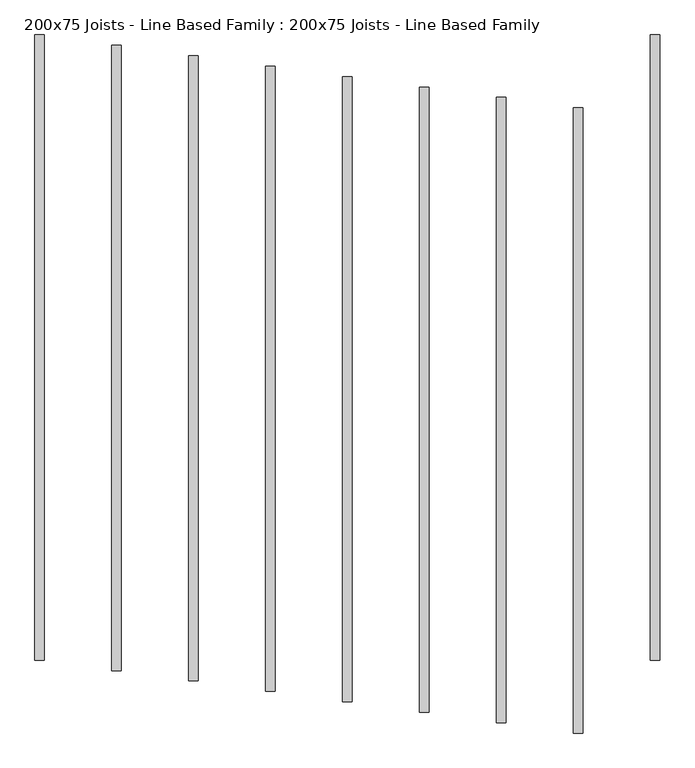
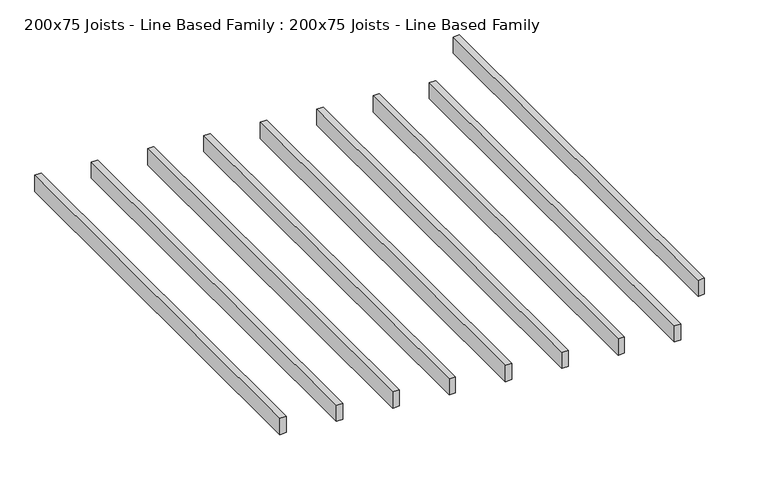
"""IFC4 building model written with IfcOpenShell, lengths in millimetres: proxy geometry, 200x75 Joists - Line Based Family : 200x75 Joists - Line Based Family."""

import ifcopenshell
import ifcopenshell.guid

model = None  # the IFC model being written
_history = None  # IfcOwnerHistory: only IFC2X3 demands one
_inside = {}  # id of a spatial element -> (the spatial element, [elements in it])
_under = {}  # id of a project, library or spatial element -> (it, [spatial elements below it])
_declared = {}  # id of a project -> (the project, [libraries it declares])
_typed = {}  # id of a type object -> (the type object, [elements of that type])
_made_of = {}  # id of a material, layer set ... -> (it, [elements and type objects made of it])


def new_model(schema):
    """Start an empty IFC model of exactly this schema.

    Asked for "IFC4X3", IfcOpenShell would pick the latest addendum, in which some entities
    have other attributes; the version numbers below select the first issue.
    IFC2X3 requires an IfcOwnerHistory on every rooted entity: one is made here for all.
    """
    global model, _history
    if schema == "IFC4X3":
        model = ifcopenshell.file(schema_version=(4, 3, 0, 0))
    else:
        model = ifcopenshell.file(schema=schema)
    _inside.clear()
    _under.clear()
    _declared.clear()
    _typed.clear()
    _made_of.clear()
    _history = None
    if model.schema == "IFC2X3":
        org = make("IfcOrganization", Name="unknown")
        user = make(
            "IfcPersonAndOrganization",
            ThePerson=make("IfcPerson", FamilyName="unknown"),
            TheOrganization=org,
        )
        app = make(
            "IfcApplication",
            ApplicationDeveloper=org,
            Version="unknown",
            ApplicationFullName="unknown",
            ApplicationIdentifier="unknown",
        )
        _history = make(
            "IfcOwnerHistory",
            OwningUser=user,
            OwningApplication=app,
            ChangeAction="ADDED",
            CreationDate=0,
        )
    return model


def make(cls, **values):
    """One entity of the class cls with the attributes given. An attribute that is None is left unset."""
    return model.create_entity(
        cls, **{name: value for name, value in values.items() if value is not None}
    )


def rooted(cls, **values):
    """An entity with a GlobalId (a new one), such as an element, a storey or a relation."""
    return make(cls, GlobalId=ifcopenshell.guid.new(), OwnerHistory=_history, **values)


def si_unit(unit_type, name, prefix=None):
    """IfcSIUnit, for example si_unit("LENGTHUNIT", "METRE", prefix="MILLI")."""
    return make("IfcSIUnit", UnitType=unit_type, Prefix=prefix, Name=name)


def assignment(units):
    """IfcUnitAssignment: the units of a project."""
    return None if units is None else make("IfcUnitAssignment", Units=units)


def point(xyz):
    """IfcCartesianPoint."""
    return None if xyz is None else make("IfcCartesianPoint", Coordinates=xyz)


def direction(xyz):
    """IfcDirection."""
    return None if xyz is None else make("IfcDirection", DirectionRatios=xyz)


def frame(location, z_axis=None, x_axis=None):
    """IfcAxis2Placement3D, a coordinate frame: its origin and axes. An axis left out is left unset."""
    return make(
        "IfcAxis2Placement3D",
        Location=point(location),
        Axis=direction(z_axis),
        RefDirection=direction(x_axis),
    )


def origin():
    """The frame at (0, 0, 0) with its axes left unset."""
    return frame((0.0, 0.0, 0.0))


def origin_with_axes():
    """The frame at (0, 0, 0) with the z axis (0, 0, 1) and the x axis (1, 0, 0) written out."""
    return frame((0.0, 0.0, 0.0), z_axis=(0.0, 0.0, 1.0), x_axis=(1.0, 0.0, 0.0))


def place(relative_to, where):
    """IfcLocalPlacement: puts the frame where relative to a parent placement (None: the world)."""
    return make(
        "IfcLocalPlacement", PlacementRelTo=relative_to, RelativePlacement=where
    )


def context(
    kind, dimensions, precision=None, world=None, true_north=None, identifier=None
):
    """IfcGeometricRepresentationContext, for example the 3D "Model" context."""
    return make(
        "IfcGeometricRepresentationContext",
        ContextIdentifier=identifier,
        ContextType=kind,
        CoordinateSpaceDimension=dimensions,
        Precision=precision,
        WorldCoordinateSystem=world,
        TrueNorth=true_north,
    )


def project(units=None, contexts=None):
    """IfcProject with its units and contexts."""
    return rooted(
        "IfcProject",
        Name="project",
        RepresentationContexts=contexts,
        UnitsInContext=assignment(units),
    )


def spatial(cls, under=None, at=None, **own):
    """A site, building, storey or space (cls), placed at a placement, below another one or the project."""
    s = rooted(cls, ObjectPlacement=at, **own)
    if under is not None:
        _under.setdefault(under.id(), (under, []))[1].append(s)
    return s


def polyline(points):
    """IfcPolyline through the points."""
    return make("IfcPolyline", Points=[point(p) for p in points])


def outline(outer, holes=None, kind="AREA"):
    """IfcArbitraryClosedProfileDef: a profile drawn as a closed curve; with holes, ...WithVoids."""
    if holes is None:
        return make("IfcArbitraryClosedProfileDef", ProfileType=kind, OuterCurve=outer)
    return make(
        "IfcArbitraryProfileDefWithVoids",
        ProfileType=kind,
        OuterCurve=outer,
        InnerCurves=holes,
    )


def extrude(swept, where, along, depth):
    """IfcExtrudedAreaSolid: the profile swept, set in the frame where, extruded along a direction by depth."""
    return make(
        "IfcExtrudedAreaSolid",
        SweptArea=swept,
        Position=where,
        ExtrudedDirection=direction(along),
        Depth=depth,
    )


def shape(context_of_items, identifier, shape_type, items):
    """IfcShapeRepresentation: the items that make up one representation, for example the "Body"."""
    return make(
        "IfcShapeRepresentation",
        ContextOfItems=context_of_items,
        RepresentationIdentifier=identifier,
        RepresentationType=shape_type,
        Items=items,
    )


def source(mapping_origin, context_of_items, identifier, shape_type, items):
    """IfcRepresentationMap: a shape defined once, which mapped items show again and again."""
    return make(
        "IfcRepresentationMap",
        MappingOrigin=mapping_origin,
        MappedRepresentation=shape(context_of_items, identifier, shape_type, items),
    )


def transform(
    local_origin,
    x_axis=None,
    y_axis=None,
    z_axis=None,
    scale=None,
    scale2=None,
    scale3=None,
    uniform=True,
):
    """IfcCartesianTransformationOperator3D, or its non-uniform kind. x_axis, y_axis, z_axis: its Axis1, 2, 3."""
    if uniform:
        return make(
            "IfcCartesianTransformationOperator3D",
            Axis1=direction(x_axis),
            Axis2=direction(y_axis),
            LocalOrigin=point(local_origin),
            Scale=scale,
            Axis3=direction(z_axis),
        )
    return make(
        "IfcCartesianTransformationOperator3DnonUniform",
        Axis1=direction(x_axis),
        Axis2=direction(y_axis),
        LocalOrigin=point(local_origin),
        Scale=scale,
        Axis3=direction(z_axis),
        Scale2=scale2,
        Scale3=scale3,
    )


def mapped(mapping_source, mapping_target):
    """IfcMappedItem: shows the shape of a source again, moved by a transform."""
    return make(
        "IfcMappedItem", MappingSource=mapping_source, MappingTarget=mapping_target
    )


def made_of(thing, what):
    """Note that an element or type object is made of a material, layer set ...; save() writes the relation."""
    if what is not None:
        _made_of.setdefault(what.id(), (what, []))[1].append(thing)
    return thing


def element(
    cls,
    number,
    at=None,
    inside=None,
    cuts=None,
    type_object=None,
    material=None,
    context=None,
    identifier="Body",
    shape_type=None,
    held_by="IfcProductDefinitionShape",
    body=None,
    shapes=None,
    **own,
):
    """One element of the class cls, such as IfcWall. Its Tag is "e" and its number.

    at: its placement. inside: the storey or other place that contains it. cuts: it is an
    opening in that element (IfcRelVoidsElement). A single representation is given by context,
    identifier, shape_type and body (its items); several are given by shapes. held_by: the class
    of the entity that holds the representations. save() writes the other relations.
    """
    e = rooted(cls, Tag="e%d" % number, ObjectPlacement=at, **own)
    if body is not None:
        shapes = [shape(context, identifier, shape_type, body)]
    if shapes is not None:
        e.Representation = make(held_by, Representations=shapes)
    if inside is not None:
        _inside.setdefault(inside.id(), (inside, []))[1].append(e)
    if cuts is not None:
        rooted(
            "IfcRelVoidsElement", RelatingBuildingElement=cuts, RelatedOpeningElement=e
        )
    if type_object is not None:
        _typed.setdefault(type_object.id(), (type_object, []))[1].append(e)
    return made_of(e, material)


def aggregate(whole, parts):
    """IfcRelAggregates: a whole, such as a stair, and the parts it consists of."""
    return rooted("IfcRelAggregates", RelatingObject=whole, RelatedObjects=parts)


def save(model, path):
    """Write the relations noted so far, then the file.

    IfcRelAggregates (storeys below a building ...), IfcRelContainedInSpatialStructure (elements
    in a storey), IfcRelDefinesByType, IfcRelAssociatesMaterial and IfcRelDeclares: one each for
    every whole, place, type object, material and project.
    """
    for whole, parts in _under.values():
        aggregate(whole, parts)
    for where, things in _inside.values():
        rooted(
            "IfcRelContainedInSpatialStructure",
            RelatedElements=things,
            RelatingStructure=where,
        )
    for kind, things in _typed.values():
        rooted("IfcRelDefinesByType", RelatedObjects=things, RelatingType=kind)
    for what, things in _made_of.values():
        rooted("IfcRelAssociatesMaterial", RelatedObjects=things, RelatingMaterial=what)
    for by, libraries in _declared.values():
        rooted("IfcRelDeclares", RelatingContext=by, RelatedDefinitions=libraries)
    model.write(path)


def proxy_200x75_joists_line_based_family_200x75_joists_line_1de5e13a(model_context):
    return source(origin(), model_context, "Body", "SweptSolid", [
        extrude(outline(polyline([(4384.375, 4416.6666667), (4384.375, -583.3333333), (4309.375, -583.3333333), (4309.375, 4416.6666667), (4384.375, 4416.6666667)])), origin_with_axes(), (0.0, 0.0, 1.0), 200.0),
        extrude(outline(polyline([(3768.75, 4500.0), (3768.75, -500.0), (3693.75, -500.0), (3693.75, 4500.0), (3768.75, 4500.0)])), origin_with_axes(), (0.0, 0.0, 1.0), 200.0),
        extrude(outline(polyline([(3153.125, 4583.3333333), (3153.125, -416.6666667), (3078.125, -416.6666667), (3078.125, 4583.3333333), (3153.125, 4583.3333333)])), origin_with_axes(), (0.0, 0.0, 1.0), 200.0),
        extrude(outline(polyline([(2537.5, 4666.6666667), (2537.5, -333.3333333), (2462.5, -333.3333333), (2462.5, 4666.6666667), (2537.5, 4666.6666667)])), origin_with_axes(), (0.0, 0.0, 1.0), 200.0),
        extrude(outline(polyline([(1921.875, 4750.0), (1921.875, -250.0), (1846.875, -250.0), (1846.875, 4750.0), (1921.875, 4750.0)])), origin_with_axes(), (0.0, 0.0, 1.0), 200.0),
        extrude(outline(polyline([(1306.25, 4833.3333333), (1306.25, -166.6666667), (1231.25, -166.6666667), (1231.25, 4833.3333333), (1306.25, 4833.3333333)])), origin_with_axes(), (0.0, 0.0, 1.0), 200.0),
        extrude(outline(polyline([(690.625, 4916.6666667), (690.625, -83.3333333), (615.625, -83.3333333), (615.625, 4916.6666667), (690.625, 4916.6666667)])), origin_with_axes(), (0.0, 0.0, 1.0), 200.0),
        extrude(outline(polyline([(5000.0, 5000.0), (5000.0, 0.0), (4925.0, 0.0), (4925.0, 5000.0), (5000.0, 5000.0)])), origin_with_axes(), (0.0, 0.0, 1.0), 200.0),
        extrude(outline(polyline([(75.0, 5000.0), (75.0, 0.0), (0.0, 0.0), (0.0, 5000.0), (75.0, 5000.0)])), origin_with_axes(), (0.0, 0.0, 1.0), 200.0),
    ])


if __name__ == "__main__":
    model = new_model("IFC4")
    model_context = context("Model", 3, world=origin())
    ifc_project = project(units=[si_unit("LENGTHUNIT", "METRE", prefix="MILLI")], contexts=[model_context])
    site = spatial("IfcSite", under=ifc_project)
    building = spatial("IfcBuilding", under=site)
    placement = place(None, origin())
    proxy_200x75_joists_line_based_family_200x75_joists_line_shape = proxy_200x75_joists_line_based_family_200x75_joists_line_1de5e13a(model_context)
    element("IfcBuildingElementProxy", 1, Name="200x75 Joists - Line Based Family : 200x75 Joists - Line Based Family", ObjectType="200x75 Joists - Line Based Family : 200x75 Joists - Line Based Family", at=placement, inside=building, context=model_context, shape_type="MappedRepresentation", body=[
        mapped(proxy_200x75_joists_line_based_family_200x75_joists_line_shape, transform((0.0, 0.0, 0.0), x_axis=(1.0, 0.0, 0.0), y_axis=(0.0, 1.0, 0.0), z_axis=(0.0, 0.0, 1.0))),
    ])
    save(model, "model.ifc")
